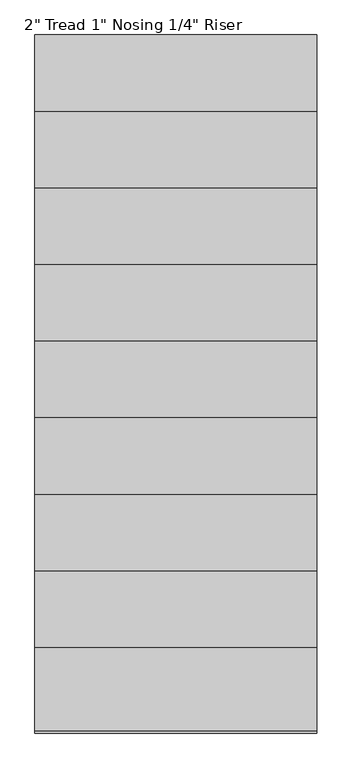
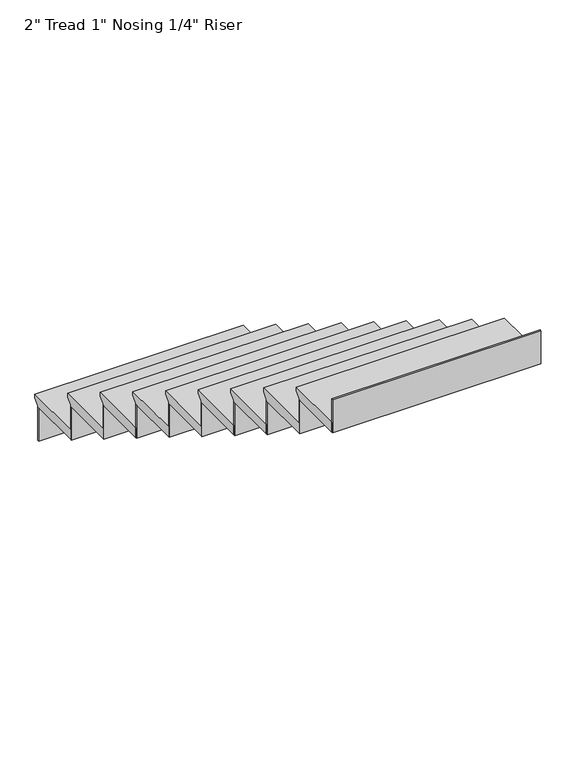
"""IFC4 building model written with IfcOpenShell, lengths in millimetres: stair flight geometry."""

from ifc_helpers import new_model, si_unit, frame, origin, place, context, project, spatial, polyline, outline, extrude, source, transform, mapped, element, save


def stair_flight_25b17a6f(model_context):
    return source(origin(), model_context, "Body", "SweptSolid", [
        extrude(outline(polyline([(4835.2460566, 38208.8571429), (5140.0460566, 38208.8571429), (5140.0460566, 38189.8071429), (5114.6460566, 38164.4071429), (5114.6460566, 38158.0571429), (4835.2460566, 38158.0571429), (4835.2460566, 38208.8571429)])), frame((-20450.1930445, 0.0, 0.0), z_axis=(1.0, 0.0, 0.0), x_axis=(0.0, 1.0, 0.0)), (0.0, 0.0, 1.0), 1028.3259746),
        extrude(outline(polyline([(-20450.1930445, 5108.2960566), (-20450.1930445, 5114.6460566), (-19421.8670699, 5114.6460566), (-19421.8670699, 5108.2960566), (-20450.1930445, 5108.2960566)])), frame((0.0, 0.0, 37983.8857143), z_axis=(0.0, 0.0, 1.0), x_axis=(1.0, 0.0, 0.0)), (0.0, 0.0, 1.0), 174.1714286),
        extrude(outline(polyline([(4555.8460566, 38383.0285714), (4860.6460566, 38383.0285714), (4860.6460566, 38363.9785714), (4835.2460566, 38338.5785714), (4835.2460566, 38332.2285714), (4555.8460566, 38332.2285714), (4555.8460566, 38383.0285714)])), frame((-20450.1930445, 0.0, 0.0), z_axis=(1.0, 0.0, 0.0), x_axis=(0.0, 1.0, 0.0)), (0.0, 0.0, 1.0), 1028.3259746),
        extrude(outline(polyline([(-20450.1930445, 4828.8960566), (-20450.1930445, 4835.2460566), (-19421.8670699, 4835.2460566), (-19421.8670699, 4828.8960566), (-20450.1930445, 4828.8960566)])), frame((0.0, 0.0, 38158.0571429), z_axis=(0.0, 0.0, 1.0), x_axis=(1.0, 0.0, 0.0)), (0.0, 0.0, 1.0), 174.1714286),
        extrude(outline(polyline([(4276.4460566, 38557.2), (4581.2460566, 38557.2), (4581.2460566, 38538.15), (4555.8460566, 38512.75), (4555.8460566, 38506.4), (4276.4460566, 38506.4), (4276.4460566, 38557.2)])), frame((-20450.1930445, 0.0, 0.0), z_axis=(1.0, 0.0, 0.0), x_axis=(0.0, 1.0, 0.0)), (0.0, 0.0, 1.0), 1028.3259746),
        extrude(outline(polyline([(-20450.1930445, 4549.4960566), (-20450.1930445, 4555.8460566), (-19421.8670699, 4555.8460566), (-19421.8670699, 4549.4960566), (-20450.1930445, 4549.4960566)])), frame((0.0, 0.0, 38332.2285714), z_axis=(0.0, 0.0, 1.0), x_axis=(1.0, 0.0, 0.0)), (0.0, 0.0, 1.0), 174.1714286),
        extrude(outline(polyline([(3997.0460566, 38731.3714286), (4301.8460566, 38731.3714286), (4301.8460566, 38712.3214286), (4276.4460566, 38686.9214286), (4276.4460566, 38680.5714286), (3997.0460566, 38680.5714286), (3997.0460566, 38731.3714286)])), frame((-20450.1930445, 0.0, 0.0), z_axis=(1.0, 0.0, 0.0), x_axis=(0.0, 1.0, 0.0)), (0.0, 0.0, 1.0), 1028.3259746),
        extrude(outline(polyline([(-20450.1930445, 4270.0960566), (-20450.1930445, 4276.4460566), (-19421.8670699, 4276.4460566), (-19421.8670699, 4270.0960566), (-20450.1930445, 4270.0960566)])), frame((0.0, 0.0, 38506.4), z_axis=(0.0, 0.0, 1.0), x_axis=(1.0, 0.0, 0.0)), (0.0, 0.0, 1.0), 174.1714286),
        extrude(outline(polyline([(3717.6460566, 38905.5428571), (4022.4460566, 38905.5428571), (4022.4460566, 38886.4928571), (3997.0460566, 38861.0928571), (3997.0460566, 38854.7428571), (3717.6460566, 38854.7428571), (3717.6460566, 38905.5428571)])), frame((-20450.1930445, 0.0, 0.0), z_axis=(1.0, 0.0, 0.0), x_axis=(0.0, 1.0, 0.0)), (0.0, 0.0, 1.0), 1028.3259746),
        extrude(outline(polyline([(-20450.1930445, 3990.6960566), (-20450.1930445, 3997.0460566), (-19421.8670699, 3997.0460566), (-19421.8670699, 3990.6960566), (-20450.1930445, 3990.6960566)])), frame((0.0, 0.0, 38680.5714286), z_axis=(0.0, 0.0, 1.0), x_axis=(1.0, 0.0, 0.0)), (0.0, 0.0, 1.0), 174.1714286),
        extrude(outline(polyline([(3438.2460566, 39079.7142857), (3743.0460566, 39079.7142857), (3743.0460566, 39060.6642857), (3717.6460566, 39035.2642857), (3717.6460566, 39028.9142857), (3438.2460566, 39028.9142857), (3438.2460566, 39079.7142857)])), frame((-20450.1930445, 0.0, 0.0), z_axis=(1.0, 0.0, 0.0), x_axis=(0.0, 1.0, 0.0)), (0.0, 0.0, 1.0), 1028.3259746),
        extrude(outline(polyline([(-20450.1930445, 3711.2960566), (-20450.1930445, 3717.6460566), (-19421.8670699, 3717.6460566), (-19421.8670699, 3711.2960566), (-20450.1930445, 3711.2960566)])), frame((0.0, 0.0, 38854.7428571), z_axis=(0.0, 0.0, 1.0), x_axis=(1.0, 0.0, 0.0)), (0.0, 0.0, 1.0), 174.1714286),
        extrude(outline(polyline([(3158.8460566, 39253.8857143), (3463.6460566, 39253.8857143), (3463.6460566, 39234.8357143), (3438.2460566, 39209.4357143), (3438.2460566, 39203.0857143), (3158.8460566, 39203.0857143), (3158.8460566, 39253.8857143)])), frame((-20450.1930445, 0.0, 0.0), z_axis=(1.0, 0.0, 0.0), x_axis=(0.0, 1.0, 0.0)), (0.0, 0.0, 1.0), 1028.3259746),
        extrude(outline(polyline([(-20450.1930445, 3431.8960566), (-20450.1930445, 3438.2460566), (-19421.8670699, 3438.2460566), (-19421.8670699, 3431.8960566), (-20450.1930445, 3431.8960566)])), frame((0.0, 0.0, 39028.9142857), z_axis=(0.0, 0.0, 1.0), x_axis=(1.0, 0.0, 0.0)), (0.0, 0.0, 1.0), 174.1714286),
        extrude(outline(polyline([(2879.4460566, 39428.0571429), (3184.2460566, 39428.0571429), (3184.2460566, 39409.0071429), (3158.8460566, 39383.6071429), (3158.8460566, 39377.2571429), (2879.4460566, 39377.2571429), (2879.4460566, 39428.0571429)])), frame((-20450.1930445, 0.0, 0.0), z_axis=(1.0, 0.0, 0.0), x_axis=(0.0, 1.0, 0.0)), (0.0, 0.0, 1.0), 1028.3259746),
        extrude(outline(polyline([(-20450.1930445, 3152.4960566), (-20450.1930445, 3158.8460566), (-19421.8670699, 3158.8460566), (-19421.8670699, 3152.4960566), (-20450.1930445, 3152.4960566)])), frame((0.0, 0.0, 39203.0857143), z_axis=(0.0, 0.0, 1.0), x_axis=(1.0, 0.0, 0.0)), (0.0, 0.0, 1.0), 174.1714286),
        extrude(outline(polyline([(2600.0460566, 39602.2285714), (2904.8460566, 39602.2285714), (2904.8460566, 39583.1785714), (2879.4460566, 39557.7785714), (2879.4460566, 39551.4285714), (2600.0460566, 39551.4285714), (2600.0460566, 39602.2285714)])), frame((-20450.1930445, 0.0, 0.0), z_axis=(1.0, 0.0, 0.0), x_axis=(0.0, 1.0, 0.0)), (0.0, 0.0, 1.0), 1028.3259746),
        extrude(outline(polyline([(-20450.1930445, 2873.0960566), (-20450.1930445, 2879.4460566), (-19421.8670699, 2879.4460566), (-19421.8670699, 2873.0960566), (-20450.1930445, 2873.0960566)])), frame((0.0, 0.0, 39377.2571429), z_axis=(0.0, 0.0, 1.0), x_axis=(1.0, 0.0, 0.0)), (0.0, 0.0, 1.0), 174.1714286),
        extrude(outline(polyline([(-20450.1930445, 2593.6960566), (-20450.1930445, 2600.0460566), (-19421.8670699, 2600.0460566), (-19421.8670699, 2593.6960566), (-20450.1930445, 2593.6960566)])), frame((0.0, 0.0, 39551.4285714), z_axis=(0.0, 0.0, 1.0), x_axis=(1.0, 0.0, 0.0)), (0.0, 0.0, 1.0), 174.1714286),
    ])


if __name__ == "__main__":
    model = new_model("IFC4")
    model_context = context("Model", 3, world=origin())
    ifc_project = project(units=[si_unit("LENGTHUNIT", "METRE", prefix="MILLI")], contexts=[model_context])
    site = spatial("IfcSite", under=ifc_project)
    building = spatial("IfcBuilding", under=site)
    placement = place(None, origin())
    stair_flight_shape = stair_flight_25b17a6f(model_context)
    element("IfcStairFlight", 1, ObjectType="2\" Tread 1\" Nosing 1/4\" Riser", at=placement, inside=building, context=model_context, shape_type="MappedRepresentation", body=[
        mapped(stair_flight_shape, transform((0.0, 0.0, 0.0), x_axis=(1.0, 0.0, 0.0), y_axis=(0.0, 1.0, 0.0), z_axis=(0.0, 0.0, 1.0))),
    ])
    save(model, "model.ifc")
